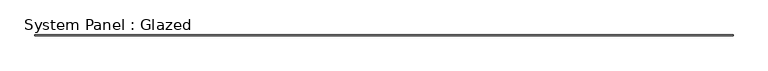
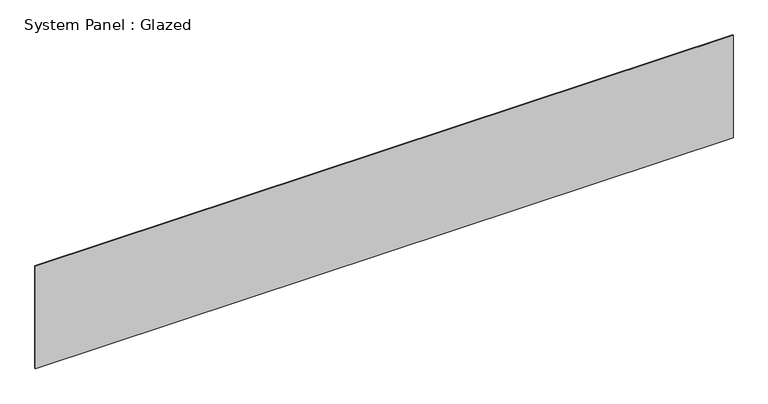
"""IFC4 building model written with IfcOpenShell, lengths in millimetres: plate geometry, System Panel : Glazed."""

from ifc_helpers import new_model, si_unit, origin, origin_with_axes, place, context, project, spatial, polyline, outline, extrude, source, transform, mapped, element, save


def system_panel_glazed_8bcfeb53(model_context):
    return source(origin(), model_context, "Body", "SweptSolid", [
        extrude(outline(polyline([(11645.9, -44.45), (-11645.9, -44.45), (-11645.9, -19.05), (11645.9, -19.05), (11645.9, -44.45)])), origin_with_axes(), (0.0, 0.0, 1.0), 3606.8),
    ])


if __name__ == "__main__":
    model = new_model("IFC4")
    model_context = context("Model", 3, world=origin())
    ifc_project = project(units=[si_unit("LENGTHUNIT", "METRE", prefix="MILLI")], contexts=[model_context])
    site = spatial("IfcSite", under=ifc_project)
    building = spatial("IfcBuilding", under=site)
    placement = place(None, origin())
    system_panel_glazed_shape = system_panel_glazed_8bcfeb53(model_context)
    element("IfcPlate", 1, ObjectType="System Panel : Glazed", at=placement, inside=building, context=model_context, shape_type="MappedRepresentation", body=[
        mapped(system_panel_glazed_shape, transform((0.0, 0.0, 0.0), x_axis=(1.0, 0.0, 0.0), y_axis=(0.0, 1.0, 0.0), z_axis=(0.0, 0.0, 1.0))),
    ])
    save(model, "model.ifc")
